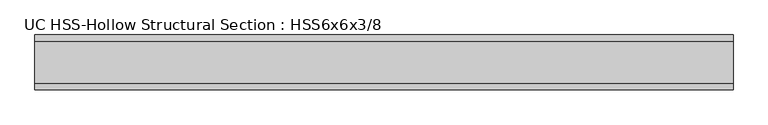
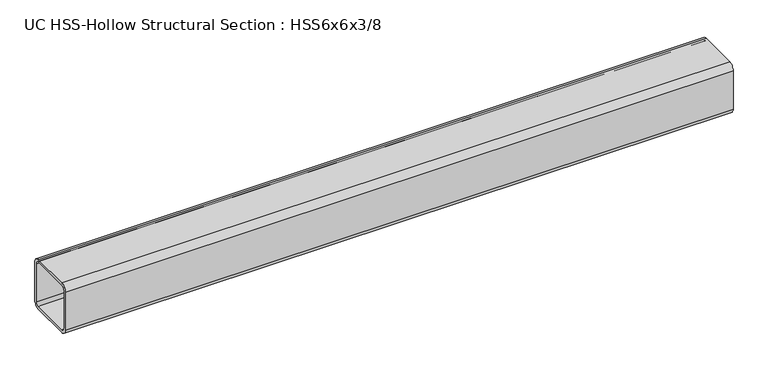
"""IFC4 building model written with IfcOpenShell, lengths in millimetres: beam geometry, UC HSS-Hollow Structural Section : HSS6x6x3/8."""

from ifc_helpers import new_model, si_unit, point, frame, frame_2d, origin, place, context, project, spatial, polyline, circle_curve, trimmed, segment, composite_curve, outline, extrude, source, transform, mapped, element, save


def uc_hss_hollow_structural_section_hss6x6x3_8_79ee5e77(model_context):
    return source(origin(), model_context, "Body", "SweptSolid", [
        extrude(outline(composite_curve([segment(polyline([(76.2, 58.4708), (76.2, -58.4708)]), True, "CONTINUOUS"), segment(trimmed(circle_curve(frame_2d((58.4708, -58.4708)), 17.7292), [point((76.2, -58.4708))], [point((58.4708, -76.2))], False, "CARTESIAN"), True, "CONTINUOUS"), segment(polyline([(58.4708, -76.2), (-58.4708, -76.2)]), True, "CONTINUOUS"), segment(trimmed(circle_curve(frame_2d((-58.4708, -58.4708)), 17.7292), [point((-58.4708, -76.2))], [point((-76.2, -58.4708))], False, "CARTESIAN"), True, "CONTINUOUS"), segment(polyline([(-76.2, -58.4708), (-76.2, 58.4708)]), True, "CONTINUOUS"), segment(trimmed(circle_curve(frame_2d((-58.4708, 58.4708)), 17.7292), [point((-76.2, 58.4708))], [point((-58.4708, 76.2))], False, "CARTESIAN"), True, "CONTINUOUS"), segment(polyline([(-58.4708, 76.2), (58.4708, 76.2)]), True, "CONTINUOUS"), segment(trimmed(circle_curve(frame_2d((58.4708, 58.4708)), 17.7292), [point((58.4708, 76.2))], [point((76.2, 58.4708))], False, "CARTESIAN"), True, "CONTINUOUS")], self_intersect=False), holes=[composite_curve([segment(trimmed(circle_curve(frame_2d((-58.4708, 58.4708)), 8.8646), [point((-58.4708, 67.3354))], [point((-67.3354, 58.4708))], True, "CARTESIAN"), True, "CONTINUOUS"), segment(polyline([(-67.3354, 58.4708), (-67.3354, -58.4708)]), True, "CONTINUOUS"), segment(trimmed(circle_curve(frame_2d((-58.4708, -58.4708)), 8.8646), [point((-67.3354, -58.4708))], [point((-58.4708, -67.3354))], True, "CARTESIAN"), True, "CONTINUOUS"), segment(polyline([(-58.4708, -67.3354), (58.4708, -67.3354)]), True, "CONTINUOUS"), segment(trimmed(circle_curve(frame_2d((58.4708, -58.4708)), 8.8646), [point((58.4708, -67.3354))], [point((67.3354, -58.4708))], True, "CARTESIAN"), True, "CONTINUOUS"), segment(polyline([(67.3354, -58.4708), (67.3354, 58.4708)]), True, "CONTINUOUS"), segment(trimmed(circle_curve(frame_2d((58.4708, 58.4708)), 8.8646), [point((67.3354, 58.4708))], [point((58.4708, 67.3354))], True, "CARTESIAN"), True, "CONTINUOUS"), segment(polyline([(58.4708, 67.3354), (-58.4708, 67.3354)]), True, "CONTINUOUS")], self_intersect=False)]), frame((-899.860136, 0.0, 0.0), z_axis=(1.0, 0.0, 0.0), x_axis=(0.0, 1.0, 0.0)), (0.0, 0.0, 1.0), 1935.1909335),
    ])


if __name__ == "__main__":
    model = new_model("IFC4")
    model_context = context("Model", 3, world=origin())
    ifc_project = project(units=[si_unit("LENGTHUNIT", "METRE", prefix="MILLI")], contexts=[model_context])
    site = spatial("IfcSite", under=ifc_project)
    building = spatial("IfcBuilding", under=site)
    placement = place(None, origin())
    uc_hss_hollow_structural_section_hss6x6x3_8_shape = uc_hss_hollow_structural_section_hss6x6x3_8_79ee5e77(model_context)
    element("IfcBeam", 1, ObjectType="UC HSS-Hollow Structural Section : HSS6x6x3/8", at=placement, inside=building, context=model_context, shape_type="MappedRepresentation", body=[
        mapped(uc_hss_hollow_structural_section_hss6x6x3_8_shape, transform((0.0, 0.0, 0.0), x_axis=(1.0, 0.0, 0.0), y_axis=(0.0, 1.0, 0.0), z_axis=(0.0, 0.0, 1.0))),
    ])
    save(model, "model.ifc")
